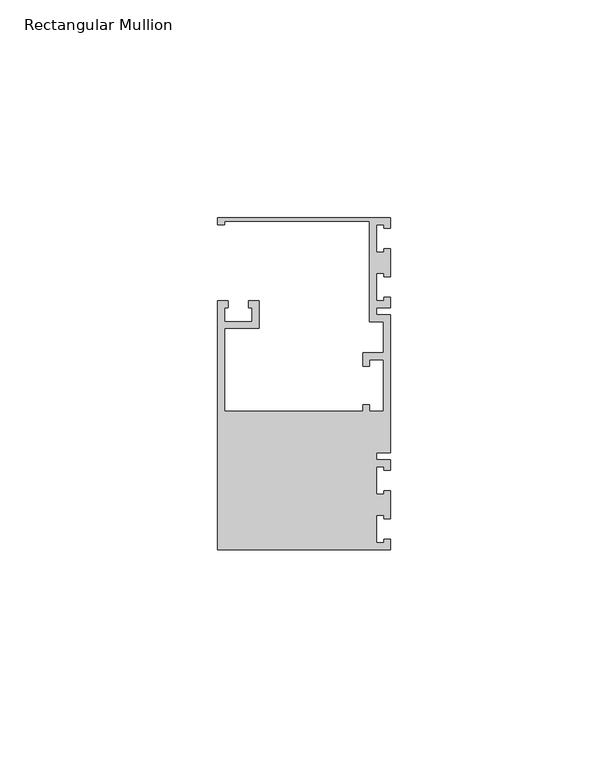
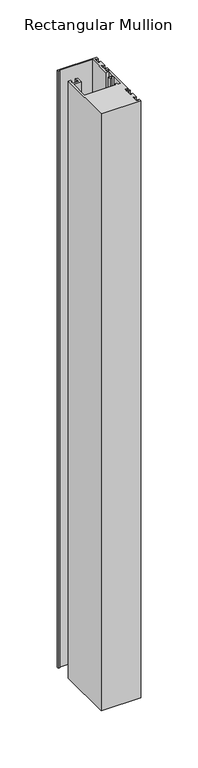
"""IFC4 building model written with IfcOpenShell, lengths in millimetres: member geometry, Rectangular Mullion."""

from ifc_helpers import new_model, si_unit, frame, origin, place, context, project, spatial, polyline, outline, extrude, source, transform, mapped, element, save


def rectangular_mullion_d37a1332(model_context):
    return source(origin(), model_context, "Body", "SweptSolid", [
        extrude(outline(polyline([(0.0, 38.1), (0.0, 35.71875), (-1.4999946, 35.71875), (-1.4999946, 36.5125), (-3.175, 36.5125), (-3.175, 30.1625), (-1.4999946, 30.1625), (-1.4999946, 30.95625), (0.0, 30.95625), (0.0, 24.60625), (-1.4999946, 24.60625), (-1.4999946, 25.4), (-3.175, 25.4), (-3.175, 19.05), (-1.4999946, 19.05), (-1.4999946, 19.84375), (0.0, 19.84375), (0.0, 17.4625), (-3.175, 17.4625), (-3.175, 15.875), (0.0, 15.875), (0.0, -15.875), (-3.175, -15.875), (-3.175, -17.4625), (0.0, -17.4625), (0.0, -19.84375), (-1.4999946, -19.84375), (-1.4999946, -19.05), (-3.175, -19.05), (-3.175, -25.4), (-1.4999946, -25.4), (-1.4999946, -24.60625), (0.0, -24.60625), (0.0, -30.95625), (-1.4999946, -30.95625), (-1.4999946, -30.1625), (-3.175, -30.1625), (-3.175, -36.5125), (-1.4999946, -36.5125), (-1.4999946, -35.71875), (0.0, -35.71875), (0.0, -38.1), (-39.6875, -38.1), (-39.6875, 19.05), (-37.30625, 19.05), (-37.30625, 17.4625), (-38.1, 17.4625), (-38.1, 14.2875), (-31.75, 14.2875), (-31.75, 17.4625), (-32.54375, 17.4625), (-32.54375, 19.05), (-30.1625, 19.05), (-30.1625, 12.7), (-38.1, 12.7), (-38.1, -6.35), (-6.35, -6.35), (-6.35, -4.7625), (-4.7625, -4.7625), (-4.7625, -6.35), (-1.5875, -6.35), (-1.5875, 5.55625), (-4.7625, 5.55625), (-4.7625, 3.96875), (-6.35, 3.96875), (-6.35, 7.14375), (-1.5875, 7.14375), (-1.5875, 14.2875), (-4.7625, 14.2875), (-4.7625, 37.30625), (-38.1, 37.30625), (-38.1, 36.5125), (-39.6875, 36.5125), (-39.6875, 38.1), (0.0, 38.1)])), frame((0.0, 0.0, -635.0), z_axis=(0.0, 0.0, 1.0), x_axis=(1.0, 0.0, 0.0)), (0.0, 0.0, 1.0), 635.0),
    ])


if __name__ == "__main__":
    model = new_model("IFC4")
    model_context = context("Model", 3, world=origin())
    ifc_project = project(units=[si_unit("LENGTHUNIT", "METRE", prefix="MILLI")], contexts=[model_context])
    site = spatial("IfcSite", under=ifc_project)
    building = spatial("IfcBuilding", under=site)
    placement = place(None, origin())
    rectangular_mullion_shape = rectangular_mullion_d37a1332(model_context)
    element("IfcMember", 1, ObjectType="Rectangular Mullion", at=placement, inside=building, context=model_context, shape_type="MappedRepresentation", body=[
        mapped(rectangular_mullion_shape, transform((0.0, 0.0, 0.0), x_axis=(1.0, 0.0, 0.0), y_axis=(0.0, 1.0, 0.0), z_axis=(0.0, 0.0, 1.0))),
    ])
    save(model, "model.ifc")
